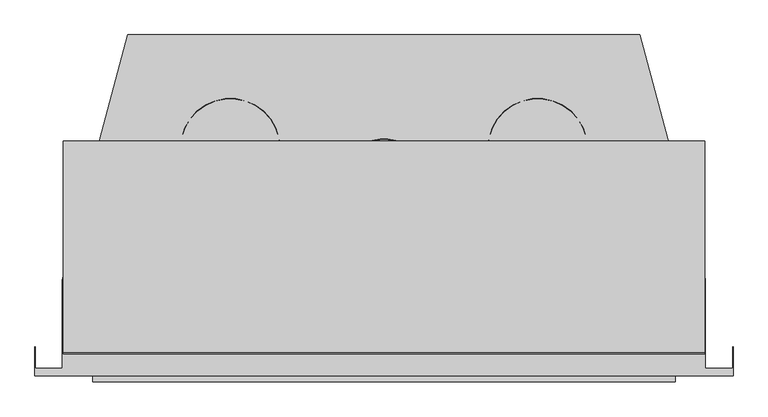
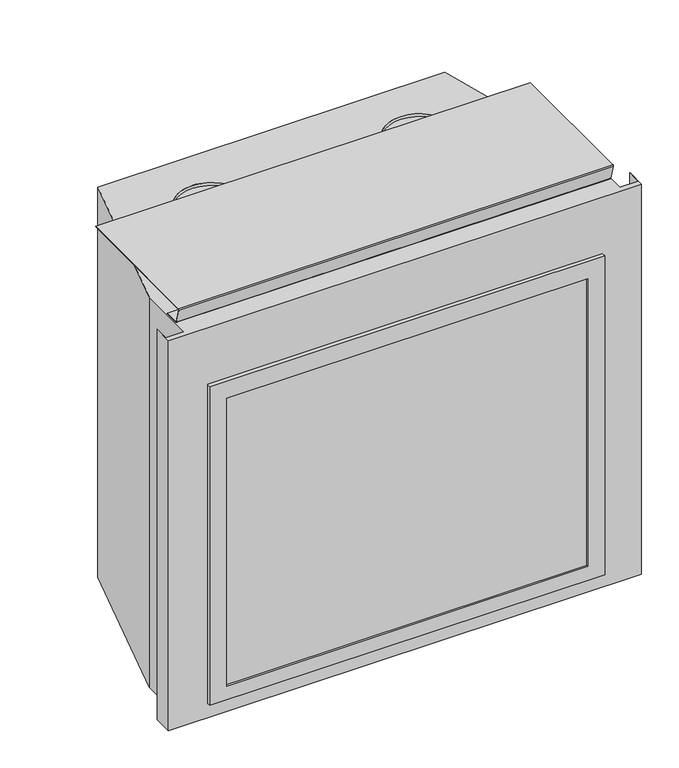
"""IFC4 building model written with IfcOpenShell, lengths in millimetres: proxy geometry."""

from ifc_helpers import new_model, si_unit, point, frame, frame_2d, origin, place, context, project, spatial, polyline, circle_curve, trimmed, segment, composite_curve, outline, extrude, faceted_brep, source, transform, mapped, element, save


def generic_models_2a795dd1(model_context):
    return source(origin(), model_context, "Body", "SolidModel", [
        extrude(outline(composite_curve([segment(trimmed(circle_curve(frame_2d((273.7568084, 405.764956)), 88.6632545), [point((362.4200629, 405.764956))], [point((185.0935538, 405.764956))], False, "CARTESIAN"), True, "CONTINUOUS"), segment(trimmed(circle_curve(frame_2d((273.7568084, 405.764956)), 88.6632545), [point((185.0935538, 405.764956))], [point((362.4200629, 405.764956))], False, "CARTESIAN"), True, "CONTINUOUS")], self_intersect=False), holes=[composite_curve([segment(trimmed(circle_curve(frame_2d((273.7568084, 405.764956)), 88.0828525), [point((361.8396609, 405.764956))], [point((185.6739559, 405.764956))], True, "CARTESIAN"), True, "CONTINUOUS"), segment(trimmed(circle_curve(frame_2d((273.7568084, 405.764956)), 88.0828525), [point((185.6739559, 405.764956))], [point((361.8396609, 405.764956))], True, "CARTESIAN"), True, "CONTINUOUS")], self_intersect=False)]), frame((0.0, 0.0, 1086.3564194), z_axis=(0.0, 0.0, 1.0), x_axis=(1.0, 0.0, 0.0)), (0.0, 0.0, 1.0), 7.4310806),
        extrude(outline(composite_curve([segment(trimmed(circle_curve(frame_2d((-273.7568084, 405.764956)), 88.6632545), [point((-362.4200629, 405.764956))], [point((-185.0935538, 405.764956))], False, "CARTESIAN"), True, "CONTINUOUS"), segment(trimmed(circle_curve(frame_2d((-273.7568084, 405.764956)), 88.6632545), [point((-185.0935538, 405.764956))], [point((-362.4200629, 405.764956))], False, "CARTESIAN"), True, "CONTINUOUS")], self_intersect=False), holes=[composite_curve([segment(trimmed(circle_curve(frame_2d((-273.7568084, 405.764956)), 88.0828525), [point((-361.8396609, 405.764956))], [point((-185.6739559, 405.764956))], True, "CARTESIAN"), True, "CONTINUOUS"), segment(trimmed(circle_curve(frame_2d((-273.7568084, 405.764956)), 88.0828525), [point((-185.6739559, 405.764956))], [point((-361.8396609, 405.764956))], True, "CARTESIAN"), True, "CONTINUOUS")], self_intersect=False)]), frame((0.0, 0.0, 1086.3564194), z_axis=(0.0, 0.0, 1.0), x_axis=(1.0, 0.0, 0.0)), (0.0, 0.0, 1.0), 7.4310806),
        extrude(outline(composite_curve([segment(polyline([(92.0433487, 1085.0897274), (53.5214662, 1085.0897274)]), True, "CONTINUOUS"), segment(trimmed(circle_curve(frame_2d((53.5214662, 1087.5714097)), 2.4816823), [point((53.5214662, 1085.0897274))], [point((51.1359201, 1086.8873654))], False, "CARTESIAN"), True, "CONTINUOUS"), segment(polyline([(51.1359201, 1086.8873654), (39.6442423, 1126.9636085)]), True, "CONTINUOUS"), segment(trimmed(circle_curve(frame_2d((42.0297884, 1127.6476529)), 2.4816823), [point((39.6442423, 1126.9636085))], [point((42.0297884, 1130.1293352))], False, "CARTESIAN"), True, "CONTINUOUS"), segment(polyline([(42.0297884, 1130.1293352), (418.8240677, 1130.1293352), (418.8240677, 1128.8626432), (42.0297884, 1128.8626432)]), True, "CONTINUOUS"), segment(trimmed(circle_curve(frame_2d((42.0297884, 1127.6476529)), 1.2149903), [point((42.0297884, 1128.8626432))], [point((40.8618647, 1127.3127562))], True, "CARTESIAN"), True, "CONTINUOUS"), segment(polyline([(40.8618647, 1127.3127562), (52.3535426, 1087.236513)]), True, "CONTINUOUS"), segment(trimmed(circle_curve(frame_2d((53.5214662, 1087.5714097)), 1.2149903), [point((52.3535426, 1087.236513))], [point((53.5214662, 1086.3564194))], True, "CARTESIAN"), True, "CONTINUOUS"), segment(polyline([(53.5214662, 1086.3564194), (92.0433487, 1086.3564194), (92.0433487, 1085.0897274)]), True, "CONTINUOUS")], self_intersect=False)), frame((-571.1424152, 0.0, 0.0), z_axis=(1.0, 0.0, 0.0), x_axis=(0.0, 1.0, 0.0)), (0.0, 0.0, 1.0), 1142.2848304),
        extrude(outline(polyline([(927.1, 519.1125), (927.1, -519.1125), (41.275, -519.1125), (41.275, 519.1125), (927.1, 519.1125)]), holes=[polyline([(879.475, 474.6625), (79.375, 474.6625), (79.375, -474.6625), (879.475, -474.6625), (879.475, 474.6625)])]), frame((0.0, -10.5847793, 0.0), z_axis=(0.0, 1.0, 0.0), x_axis=(0.0, 0.0, 1.0)), (0.0, 0.0, 1.0), 10.5847793),
        faceted_brep([(-621.758295, 0.0, 1084.2625), (621.758295, 0.0, 1084.2625), (621.758295, 51.5785888, 1084.2625), (620.9460338, 51.5785888, 1084.2625), (620.9460338, 13.5038431, 1084.2625), (572.4370047, 13.5038431, 1084.2625), (572.4370047, 172.9113549, 1084.2625), (455.8621179, 607.974755, 1084.2625), (-456.296537, 607.974755, 1084.2625), (-573.452369, 170.7432377, 1084.2625), (-573.452369, 13.5038431, 1084.2625), (-620.9460338, 13.5038431, 1084.2625), (-620.9460338, 51.5785888, 1084.2625), (-621.758295, 51.5785888, 1084.2625), (-621.758295, 0.0, 0.0), (-621.758295, 51.5785888, 0.0), (-620.9460338, 51.5785888, 0.0), (-620.9460338, 13.5038431, 0.0), (-573.452369, 13.5038431, 0.0), (-573.452369, 170.7432377, 0.0), (-456.296537, 607.974755, 0.0), (455.8621179, 607.974755, 0.0), (572.4370047, 172.9113549, 0.0), (572.4370047, 13.5038431, 0.0), (620.9460338, 13.5038431, 0.0), (620.9460338, 51.5785888, 0.0), (621.758295, 51.5785888, 0.0), (621.758295, 0.0, 0.0), (474.6625, 0.0, 879.475), (474.6625, 0.0, 79.375), (-474.6625, 0.0, 79.375), (-474.6625, 0.0, 879.475), (474.6625, 172.5015738, 879.475), (-474.6625, 172.5015738, 879.475), (-474.6625, 172.5015738, 79.375), (474.6625, 172.5015738, 79.375)], [[[0, 1, 2, 3, 4, 5, 6, 7, 8, 9, 10, 11, 12, 13]], [[14, 15, 16, 17, 18, 19, 20, 21, 22, 23, 24, 25, 26, 27]], [[1, 0, 14, 27], [28, 29, 30, 31]], [[2, 1, 27, 26]], [[3, 2, 26, 25]], [[4, 3, 25, 24]], [[5, 4, 24, 23]], [[6, 5, 23, 22]], [[7, 6, 22, 21]], [[8, 7, 21, 20]], [[9, 8, 20, 19]], [[10, 9, 19, 18]], [[11, 10, 18, 17]], [[12, 11, 17, 16]], [[13, 12, 16, 15]], [[0, 13, 15, 14]], [[32, 33, 34, 35]], [[32, 35, 29, 28]], [[35, 34, 30, 29]], [[34, 33, 31, 30]], [[33, 32, 28, 31]]]),
        extrude(outline(composite_curve([segment(trimmed(circle_curve(frame_2d((0.0, 355.1490457)), 67.5420013), [point((-67.5420013, 355.1490457))], [point((67.5420013, 355.1490457))], False, "CARTESIAN"), True, "CONTINUOUS"), segment(trimmed(circle_curve(frame_2d((0.0, 355.1490457)), 67.5420013), [point((67.5420013, 355.1490457))], [point((-67.5420013, 355.1490457))], False, "CARTESIAN"), True, "CONTINUOUS")], self_intersect=False), holes=[composite_curve([segment(trimmed(circle_curve(frame_2d((0.0, 355.1490457)), 66.7482513), [point((-66.7482513, 355.1490457))], [point((66.7482513, 355.1490457))], True, "CARTESIAN"), True, "CONTINUOUS"), segment(trimmed(circle_curve(frame_2d((0.0, 355.1490457)), 66.7482513), [point((66.7482513, 355.1490457))], [point((-66.7482513, 355.1490457))], True, "CARTESIAN"), True, "CONTINUOUS")], self_intersect=False)]), frame((0.0, 0.0, 1084.2625), z_axis=(0.0, 0.0, 1.0), x_axis=(1.0, 0.0, 0.0)), (0.0, 0.0, 1.0), 9.525),
        extrude(outline(polyline([(474.6625, -6.0505537), (-474.6625, -6.0505537), (-474.6625, 47.625), (474.6625, 47.625), (474.6625, -6.0505537)])), frame((0.0, 0.0, 79.375), z_axis=(0.0, 0.0, 1.0), x_axis=(1.0, 0.0, 0.0)), (0.0, 0.0, 1.0), 800.1),
    ])


if __name__ == "__main__":
    model = new_model("IFC4")
    model_context = context("Model", 3, world=origin())
    ifc_project = project(units=[si_unit("LENGTHUNIT", "METRE", prefix="MILLI")], contexts=[model_context])
    site = spatial("IfcSite", under=ifc_project)
    building = spatial("IfcBuilding", under=site)
    placement = place(None, origin())
    generic_models_shape = generic_models_2a795dd1(model_context)
    element("IfcBuildingElementProxy", 1, Name="Generic Models", at=placement, inside=building, context=model_context, shape_type="MappedRepresentation", body=[
        mapped(generic_models_shape, transform((0.0, 0.0, 0.0), x_axis=(1.0, 0.0, 0.0), y_axis=(0.0, 1.0, 0.0), z_axis=(0.0, 0.0, 1.0))),
    ])
    save(model, "model.ifc")
